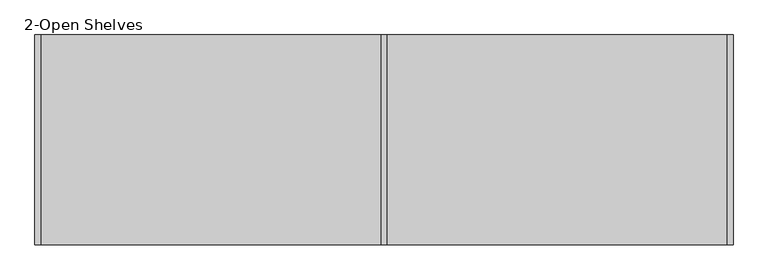
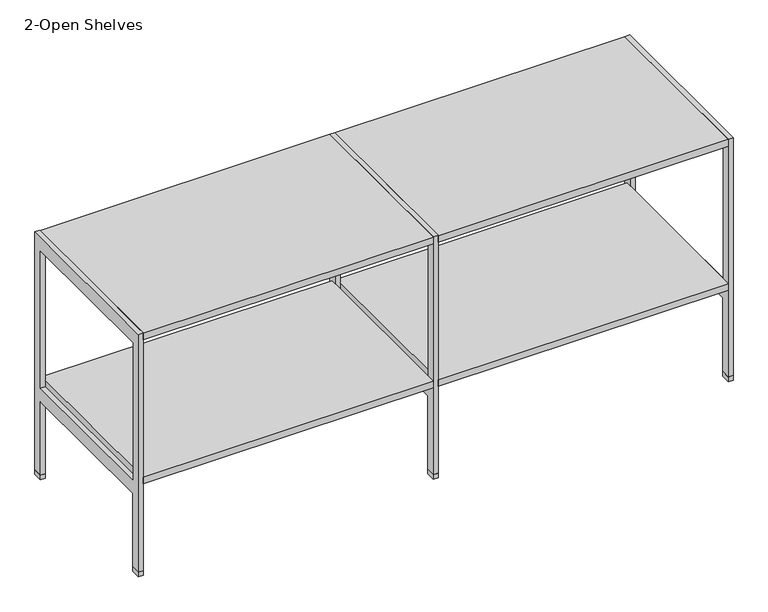
"""IFC4 building model written with IfcOpenShell, lengths in millimetres: furniture geometry, 2-Open Shelves."""

from ifc_helpers import new_model, si_unit, frame, origin, origin_with_axes, place, context, project, spatial, polyline, outline, extrude, source, transform, mapped, element, save


def furniture_2_open_shelves_fc8690dd(model_context):
    return source(origin(), model_context, "Body", "SweptSolid", [
        extrude(outline(polyline([(6.35, 225.425), (768.35, 225.425), (768.35, -234.95), (6.35, -234.95), (6.35, 225.425)])), frame((0.0, 0.0, 254.0), z_axis=(0.0, 0.0, 1.0), x_axis=(1.0, 0.0, 0.0)), (0.0, 0.0, 1.0), 18.25752),
        extrude(outline(polyline([(6.35, 234.95), (768.35, 234.95), (768.35, -234.95), (6.35, -234.95), (6.35, 234.95)])), frame((0.0, 0.0, 654.05), z_axis=(0.0, 0.0, 1.0), x_axis=(1.0, 0.0, 0.0)), (0.0, 0.0, 1.0), 18.25752),
        extrude(outline(polyline([(-768.35, 225.425), (-6.35, 225.425), (-6.35, -234.95), (-768.35, -234.95), (-768.35, 225.425)])), frame((0.0, 0.0, 254.0), z_axis=(0.0, 0.0, 1.0), x_axis=(1.0, 0.0, 0.0)), (0.0, 0.0, 1.0), 18.25752),
        extrude(outline(polyline([(-768.35, 234.95), (-6.35, 234.95), (-6.35, -234.95), (-768.35, -234.95), (-768.35, 234.95)])), frame((0.0, 0.0, 654.05), z_axis=(0.0, 0.0, 1.0), x_axis=(1.0, 0.0, 0.0)), (0.0, 0.0, 1.0), 18.25752),
        extrude(outline(polyline([(781.05, 234.95), (781.05, 209.55), (768.35, 209.55), (768.35, 234.95), (781.05, 234.95)])), origin_with_axes(), (0.0, 0.0, 1.0), 12.7),
        extrude(outline(polyline([(781.05, -209.55), (781.05, -234.95), (768.35, -234.95), (768.35, -209.55), (781.05, -209.55)])), origin_with_axes(), (0.0, 0.0, 1.0), 12.7),
        extrude(outline(polyline([(-6.35, 209.55), (-6.35, 234.95), (6.35, 234.95), (6.35, 209.55), (-6.35, 209.55)])), origin_with_axes(), (0.0, 0.0, 1.0), 12.7),
        extrude(outline(polyline([(-6.35, -234.95), (-6.35, -209.55), (6.35, -209.55), (6.35, -234.95), (-6.35, -234.95)])), origin_with_axes(), (0.0, 0.0, 1.0), 12.7),
        extrude(outline(polyline([(-768.35, 234.95), (-768.35, 209.55), (-781.05, 209.55), (-781.05, 234.95), (-768.35, 234.95)])), origin_with_axes(), (0.0, 0.0, 1.0), 12.7),
        extrude(outline(polyline([(-768.35, -209.55), (-768.35, -234.95), (-781.05, -234.95), (-781.05, -209.55), (-768.35, -209.55)])), origin_with_axes(), (0.0, 0.0, 1.0), 12.7),
        extrude(outline(polyline([(234.95, 673.10254), (234.95, 12.7), (209.55, 12.7), (209.55, 216.69502), (-209.55, 216.69502), (-209.55, 12.7), (-234.95, 12.7), (-234.95, 673.10254), (234.95, 673.10254)]), holes=[polyline([(209.55, 254.79502), (209.55, 635.00254), (-209.55, 635.00254), (-209.55, 254.79502), (209.55, 254.79502)])]), frame((768.35, 0.0, 0.0), z_axis=(1.0, 0.0, 0.0), x_axis=(0.0, 1.0, 0.0)), (0.0, 0.0, 1.0), 12.7),
        extrude(outline(polyline([(234.95, 673.10254), (234.95, 12.7), (209.55, 12.7), (209.55, 216.69502), (-209.55, 216.69502), (-209.55, 12.7), (-234.95, 12.7), (-234.95, 673.10254), (234.95, 673.10254)]), holes=[polyline([(209.55, 254.79502), (209.55, 635.00254), (-209.55, 635.00254), (-209.55, 254.79502), (209.55, 254.79502)])]), frame((-6.35, 0.0, 0.0), z_axis=(1.0, 0.0, 0.0), x_axis=(0.0, 1.0, 0.0)), (0.0, 0.0, 1.0), 12.7),
        extrude(outline(polyline([(234.95, 673.10254), (234.95, 12.7), (209.55, 12.7), (209.55, 216.69502), (-209.55, 216.69502), (-209.55, 12.7), (-234.95, 12.7), (-234.95, 673.10254), (234.95, 673.10254)]), holes=[polyline([(209.55, 254.79502), (209.55, 635.00254), (-209.55, 635.00254), (-209.55, 254.79502), (209.55, 254.79502)])]), frame((-781.05, 0.0, 0.0), z_axis=(1.0, 0.0, 0.0), x_axis=(0.0, 1.0, 0.0)), (0.0, 0.0, 1.0), 12.7),
        extrude(outline(polyline([(6.35, 184.15), (768.35, 184.15), (768.35, -184.15), (6.35, -184.15), (6.35, 184.15)]), holes=[polyline([(749.3, 165.1), (25.4, 165.1), (25.4, -165.1), (749.3, -165.1), (749.3, 165.1)])]), frame((0.0, 0.0, 241.3), z_axis=(0.0, 0.0, 1.0), x_axis=(1.0, 0.0, 0.0)), (0.0, 0.0, 1.0), 12.7),
        extrude(outline(polyline([(-768.35, 184.15), (-6.35, 184.15), (-6.35, -184.15), (-768.35, -184.15), (-768.35, 184.15)]), holes=[polyline([(-25.4, 165.1), (-749.3, 165.1), (-749.3, -165.1), (-25.4, -165.1), (-25.4, 165.1)])]), frame((0.0, 0.0, 241.3), z_axis=(0.0, 0.0, 1.0), x_axis=(1.0, 0.0, 0.0)), (0.0, 0.0, 1.0), 12.7),
        extrude(outline(polyline([(6.35, 184.15), (768.35, 184.15), (768.35, -184.15), (6.35, -184.15), (6.35, 184.15)]), holes=[polyline([(749.3, 165.1), (25.4, 165.1), (25.4, -165.1), (749.3, -165.1), (749.3, 165.1)])]), frame((0.0, 0.0, 641.35), z_axis=(0.0, 0.0, 1.0), x_axis=(1.0, 0.0, 0.0)), (0.0, 0.0, 1.0), 12.7),
        extrude(outline(polyline([(-768.35, 184.15), (-6.35, 184.15), (-6.35, -184.15), (-768.35, -184.15), (-768.35, 184.15)]), holes=[polyline([(-25.4, 165.1), (-749.3, 165.1), (-749.3, -165.1), (-25.4, -165.1), (-25.4, 165.1)])]), frame((0.0, 0.0, 641.35), z_axis=(0.0, 0.0, 1.0), x_axis=(1.0, 0.0, 0.0)), (0.0, 0.0, 1.0), 12.7),
    ])


if __name__ == "__main__":
    model = new_model("IFC4")
    model_context = context("Model", 3, world=origin())
    ifc_project = project(units=[si_unit("LENGTHUNIT", "METRE", prefix="MILLI")], contexts=[model_context])
    site = spatial("IfcSite", under=ifc_project)
    building = spatial("IfcBuilding", under=site)
    placement = place(None, origin())
    furniture_2_open_shelves_shape = furniture_2_open_shelves_fc8690dd(model_context)
    element("IfcFurniture", 1, ObjectType="2-Open Shelves", at=placement, inside=building, context=model_context, shape_type="MappedRepresentation", body=[
        mapped(furniture_2_open_shelves_shape, transform((0.0, 0.0, 0.0), x_axis=(1.0, 0.0, 0.0), y_axis=(0.0, 1.0, 0.0), z_axis=(0.0, 0.0, 1.0))),
    ])
    save(model, "model.ifc")
